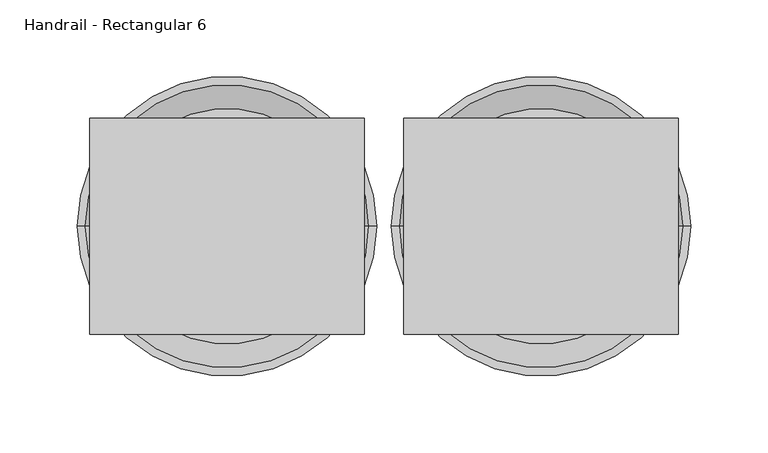
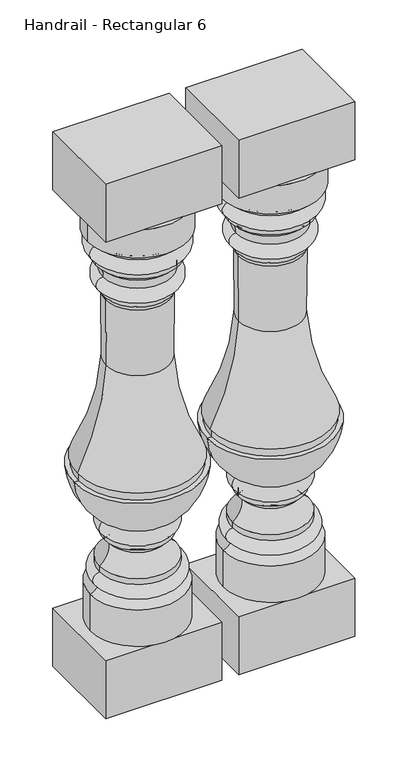
"""IFC4 building model written with IfcOpenShell, lengths in millimetres: railing geometry, Handrail - Rectangular 6."""

from ifc_helpers import new_model, si_unit, point, frame, origin, place, context, project, spatial, polyline, circle_curve, ellipse_curve, trimmed, outline, extrude, source, transform, mapped, element, save
from ifc_brep_helpers import plane_surface, cylinder_surface, revolved_surface, advanced_brep


def handrail_rectangular_6_4b3d45dc(model_context):
    return source(origin(), model_context, "Body", "SolidModel", [
        advanced_brep(
        [(15036.1566037, 2142.9239298, 881.0625), (15188.5566037, 2142.9239298, 881.0625), (15112.3566037, 2142.9239298, 881.0625), (15036.1566037, 2142.9239298, 835.3414358), (15188.5566037, 2142.9239298, 835.3414358), (15048.2856401, 2142.9239298, 824.1251909), (15176.4275673, 2142.9239298, 824.1251909), (15048.5308811, 2142.9239298, 801.0872354), (15176.1823263, 2142.9239298, 801.0872354), (15048.5308811, 2142.9239298, 792.9994382), (15176.1823263, 2142.9239298, 792.9994382), (15057.3594002, 2142.9239298, 784.421477), (15167.3538072, 2142.9239298, 784.421477), (15059.6956778, 2142.9239298, 770.116552), (15165.0175297, 2142.9239298, 770.116552), (15059.6956778, 2142.9239298, 748.0589375), (15165.0175297, 2142.9239298, 748.0589375), (15059.6956778, 2142.9239298, 739.775), (15165.0175297, 2142.9239298, 739.775), (15063.567985, 2142.9239298, 732.0548389), (15161.1452225, 2142.9239298, 732.0548389), (15064.3774609, 2142.9239298, 625.8760562), (15160.3357466, 2142.9239298, 625.8760562), (15020.8181635, 2142.9239298, 465.93125), (15203.895044, 2142.9239298, 465.93125), (15022.920044, 2142.9239298, 465.93125), (15201.7931635, 2142.9239298, 465.93125), (15022.920044, 2142.9239298, 453.23125), (15201.7931635, 2142.9239298, 453.23125), (15015.5191037, 2142.9239298, 453.23125), (15209.1941037, 2142.9239298, 453.23125), (15061.4451606, 2142.9239298, 375.8648455), (15163.2680469, 2142.9239298, 375.8648455), (15061.5865209, 2142.9239298, 352.5012686), (15163.1266866, 2142.9239298, 352.5012686), (15061.5865209, 2142.9239298, 345.021636), (15163.1266866, 2142.9239298, 345.021636), (15069.538561, 2142.9239298, 336.1395712), (15155.1746464, 2142.9239298, 336.1395712), (15054.5700276, 2142.9239298, 304.3511281), (15170.1431798, 2142.9239298, 304.3511281), (15054.5700276, 2142.9239298, 295.0015923), (15170.1431798, 2142.9239298, 295.0015923), (15052.2311821, 2142.9239298, 273.4976463), (15172.4820254, 2142.9239298, 273.4976463), (15040.1463208, 2142.9239298, 263.7041906), (15184.5668867, 2142.9239298, 263.7041906), (15040.1463208, 2142.9239298, 204.7875), (15184.5668867, 2142.9239298, 204.7875), (15112.3566037, 2142.9239298, 204.7875)],
        [
            (0, 1, circle_curve(frame((15112.3566037, 2142.9239298, 881.0625), z_axis=(0.0, 0.0, 1.0), x_axis=(1.0, 0.0, 0.0)), 76.2)),
            (1, 2),
            (2, 0),
            (1, 0, circle_curve(frame((15112.3566037, 2142.9239298, 881.0625), z_axis=(0.0, 0.0, 1.0), x_axis=(1.0, 0.0, 0.0)), 76.2)),
            (3, 4, circle_curve(frame((15112.3566037, 2142.9239298, 835.3414358), z_axis=(0.0, 0.0, 1.0), x_axis=(1.0, 0.0, 0.0)), 76.2)),
            (4, 1),
            (0, 3),
            (4, 3, circle_curve(frame((15112.3566037, 2142.9239298, 835.3414358), z_axis=(0.0, 0.0, 1.0), x_axis=(1.0, 0.0, 0.0)), 76.2)),
            (5, 6, circle_curve(frame((15112.3566037, 2142.9239298, 824.1251909), z_axis=(0.0, 0.0, 1.0), x_axis=(1.0, 0.0, 0.0)), 64.0709636)),
            (6, 4, circle_curve(frame((15188.5701178, 2142.9239298, 823.1606434), z_axis=(0.0, 1.0, 0.0), x_axis=(-1.0, 0.0, 0.0)), 12.1807998)),
            (3, 5, circle_curve(frame((15036.1430896, 2142.9239298, 823.1606434), z_axis=(0.0, 1.0, 0.0), x_axis=(1.0, 0.0, 0.0)), 12.1807998)),
            (6, 5, circle_curve(frame((15112.3566037, 2142.9239298, 824.1251909), z_axis=(0.0, 0.0, 1.0), x_axis=(1.0, 0.0, 0.0)), 64.0709636)),
            (7, 8, circle_curve(frame((15112.3566037, 2142.9239298, 801.0872354), z_axis=(0.0, 0.0, 1.0), x_axis=(1.0, 0.0, 0.0)), 63.8257226)),
            (8, 6, circle_curve(frame((15174.016234, 2142.9239298, 812.6305767), z_axis=(0.0, -1.0, 0.0), x_axis=(-1.0, 0.0, 0.0)), 11.7448152)),
            (5, 7, circle_curve(frame((15050.6969735, 2142.9239298, 812.6305767), z_axis=(0.0, -1.0, 0.0), x_axis=(1.0, 0.0, 0.0)), 11.7448152)),
            (8, 7, circle_curve(frame((15112.3566037, 2142.9239298, 801.0872354), z_axis=(0.0, 0.0, 1.0), x_axis=(1.0, 0.0, 0.0)), 63.8257226)),
            (9, 10, circle_curve(frame((15112.3566037, 2142.9239298, 792.9994382), z_axis=(0.0, 0.0, 1.0), x_axis=(1.0, 0.0, 0.0)), 63.8257226)),
            (10, 8),
            (7, 9),
            (10, 9, circle_curve(frame((15112.3566037, 2142.9239298, 792.9994382), z_axis=(0.0, 0.0, 1.0), x_axis=(1.0, 0.0, 0.0)), 63.8257226)),
            (11, 12, circle_curve(frame((15112.3566037, 2142.9239298, 784.421477), z_axis=(0.0, 0.0, 1.0), x_axis=(1.0, 0.0, 0.0)), 54.9972035)),
            (12, 10, circle_curve(frame((15180.5843357, 2142.9239298, 779.6366699), z_axis=(0.0, 1.0, 0.0), x_axis=(-1.0, 0.0, 0.0)), 14.06916)),
            (9, 11, circle_curve(frame((15044.1288718, 2142.9239298, 779.6366699), z_axis=(0.0, 1.0, 0.0), x_axis=(1.0, 0.0, 0.0)), 14.06916)),
            (12, 11, circle_curve(frame((15112.3566037, 2142.9239298, 784.421477), z_axis=(0.0, 0.0, 1.0), x_axis=(1.0, 0.0, 0.0)), 54.9972035)),
            (13, 14, circle_curve(frame((15112.3566037, 2142.9239298, 770.116552), z_axis=(0.0, 0.0, 1.0), x_axis=(1.0, 0.0, 0.0)), 52.660926)),
            (14, 12, circle_curve(frame((15193.9766622, 2142.9239298, 772.7301948), z_axis=(0.0, 1.0, 0.0), x_axis=(-1.0, 0.0, 0.0)), 29.0768376)),
            (11, 13, circle_curve(frame((15030.7365453, 2142.9239298, 772.7301948), z_axis=(0.0, 1.0, 0.0), x_axis=(1.0, 0.0, 0.0)), 29.0768376)),
            (14, 13, circle_curve(frame((15112.3566037, 2142.9239298, 770.116552), z_axis=(0.0, 0.0, 1.0), x_axis=(1.0, 0.0, 0.0)), 52.660926)),
            (15, 16, circle_curve(frame((15112.3566037, 2142.9239298, 748.0589375), z_axis=(0.0, 0.0, 1.0), x_axis=(1.0, 0.0, 0.0)), 52.660926)),
            (16, 14, circle_curve(frame((15164.5632965, 2142.9239298, 759.0877448), z_axis=(0.0, -1.0, 0.0), x_axis=(-1.0, 0.0, 0.0)), 11.0381573)),
            (13, 15, circle_curve(frame((15060.1499109, 2142.9239298, 759.0877448), z_axis=(0.0, -1.0, 0.0), x_axis=(1.0, 0.0, 0.0)), 11.0381573)),
            (16, 15, circle_curve(frame((15112.3566037, 2142.9239298, 748.0589375), z_axis=(0.0, 0.0, 1.0), x_axis=(1.0, 0.0, 0.0)), 52.660926)),
            (17, 18, circle_curve(frame((15112.3566037, 2142.9239298, 739.775), z_axis=(0.0, 0.0, 1.0), x_axis=(1.0, 0.0, 0.0)), 52.660926)),
            (18, 16),
            (15, 17),
            (18, 17, circle_curve(frame((15112.3566037, 2142.9239298, 739.775), z_axis=(0.0, 0.0, 1.0), x_axis=(1.0, 0.0, 0.0)), 52.660926)),
            (19, 20, circle_curve(frame((15112.3566037, 2142.9239298, 732.0548389), z_axis=(0.0, 0.0, 1.0), x_axis=(1.0, 0.0, 0.0)), 48.7886187)),
            (20, 18, circle_curve(frame((15172.3841732, 2142.9239298, 731.2487877), z_axis=(0.0, 1.0, 0.0), x_axis=(-1.0, 0.0, 0.0)), 11.2678184)),
            (17, 19, circle_curve(frame((15052.3290342, 2142.9239298, 731.2487877), z_axis=(0.0, 1.0, 0.0), x_axis=(1.0, 0.0, 0.0)), 11.2678184)),
            (20, 19, circle_curve(frame((15112.3566037, 2142.9239298, 732.0548389), z_axis=(0.0, 0.0, 1.0), x_axis=(1.0, 0.0, 0.0)), 48.7886187)),
            (21, 22, circle_curve(frame((15112.3566037, 2142.9239298, 625.8760562), z_axis=(0.0, 0.0, 1.0), x_axis=(1.0, 0.0, 0.0)), 47.9791428)),
            (22, 20, circle_curve(frame((15989.4762916, 2142.9239298, 672.6474087), z_axis=(0.0, 1.0, 0.0), x_axis=(-1.0, 0.0, 0.0)), 830.4586702)),
            (19, 21, circle_curve(frame((14235.2369158, 2142.9239298, 672.6474087), z_axis=(0.0, 1.0, 0.0), x_axis=(1.0, 0.0, 0.0)), 830.4586702)),
            (22, 21, circle_curve(frame((15112.3566037, 2142.9239298, 625.8760562), z_axis=(0.0, 0.0, 1.0), x_axis=(1.0, 0.0, 0.0)), 47.9791428)),
            (23, 24, circle_curve(frame((15112.3566037, 2142.9239298, 465.93125), z_axis=(0.0, 0.0, 1.0), x_axis=(1.0, 0.0, 0.0)), 91.5384403)),
            (24, 22, circle_curve(frame((15558.1675269, 2142.9239298, 648.3175235), z_axis=(0.0, 1.0, 0.0), x_axis=(-1.0, 0.0, 0.0)), 398.4642329)),
            (21, 23, circle_curve(frame((14666.5456805, 2142.9239298, 648.3175235), z_axis=(0.0, 1.0, 0.0), x_axis=(1.0, 0.0, 0.0)), 398.4642329)),
            (24, 23, circle_curve(frame((15112.3566037, 2142.9239298, 465.93125), z_axis=(0.0, 0.0, 1.0), x_axis=(1.0, 0.0, 0.0)), 91.5384403)),
            (25, 26, circle_curve(frame((15112.3566037, 2142.9239298, 465.93125), z_axis=(0.0, 0.0, 1.0), x_axis=(1.0, 0.0, 0.0)), 89.4365597)),
            (26, 24),
            (23, 25),
            (26, 25, circle_curve(frame((15112.3566037, 2142.9239298, 465.93125), z_axis=(0.0, 0.0, 1.0), x_axis=(1.0, 0.0, 0.0)), 89.4365597)),
            (27, 28, circle_curve(frame((15112.3566037, 2142.9239298, 453.23125), z_axis=(0.0, 0.0, 1.0), x_axis=(1.0, 0.0, 0.0)), 89.4365597)),
            (28, 26),
            (25, 27),
            (28, 27, circle_curve(frame((15112.3566037, 2142.9239298, 453.23125), z_axis=(0.0, 0.0, 1.0), x_axis=(1.0, 0.0, 0.0)), 89.4365597)),
            (29, 30, circle_curve(frame((15112.3566037, 2142.9239298, 453.23125), z_axis=(0.0, 0.0, 1.0), x_axis=(1.0, 0.0, 0.0)), 96.8375)),
            (30, 28),
            (27, 29),
            (30, 29, circle_curve(frame((15112.3566037, 2142.9239298, 453.23125), z_axis=(0.0, 0.0, 1.0), x_axis=(1.0, 0.0, 0.0)), 96.8375)),
            (31, 32, circle_curve(frame((15112.3566037, 2142.9239298, 375.8648455), z_axis=(0.0, 0.0, 1.0), x_axis=(1.0, 0.0, 0.0)), 50.9114432)),
            (32, 30, circle_curve(frame((15104.7149183, 2142.9239298, 462.9374706), z_axis=(0.0, -1.0, 0.0), x_axis=(-1.0, 0.0, 0.0)), 104.9290756)),
            (29, 31, circle_curve(frame((15119.9982891, 2142.9239298, 462.9374706), z_axis=(0.0, -1.0, 0.0), x_axis=(1.0, 0.0, 0.0)), 104.9290756)),
            (32, 31, circle_curve(frame((15112.3566037, 2142.9239298, 375.8648455), z_axis=(0.0, 0.0, 1.0), x_axis=(1.0, 0.0, 0.0)), 50.9114432)),
            (33, 34, circle_curve(frame((15112.3566037, 2142.9239298, 352.5012686), z_axis=(0.0, 0.0, 1.0), x_axis=(1.0, 0.0, 0.0)), 50.7700828)),
            (34, 32, circle_curve(frame((15157.8946929, 2142.9239298, 364.2151406), z_axis=(0.0, -1.0, 0.0), x_axis=(-1.0, 0.0, 0.0)), 12.8292072)),
            (31, 33, circle_curve(frame((15066.8185146, 2142.9239298, 364.2151406), z_axis=(0.0, -1.0, 0.0), x_axis=(1.0, 0.0, 0.0)), 12.8292072)),
            (34, 33, circle_curve(frame((15112.3566037, 2142.9239298, 352.5012686), z_axis=(0.0, 0.0, 1.0), x_axis=(1.0, 0.0, 0.0)), 50.7700828)),
            (35, 36, circle_curve(frame((15112.3566037, 2142.9239298, 345.021636), z_axis=(0.0, 0.0, 1.0), x_axis=(1.0, 0.0, 0.0)), 50.7700828)),
            (36, 34),
            (33, 35),
            (36, 35, circle_curve(frame((15112.3566037, 2142.9239298, 345.021636), z_axis=(0.0, 0.0, 1.0), x_axis=(1.0, 0.0, 0.0)), 50.7700828)),
            (37, 38, circle_curve(frame((15112.3566037, 2142.9239298, 336.1395712), z_axis=(0.0, 0.0, 1.0), x_axis=(1.0, 0.0, 0.0)), 42.8180427)),
            (38, 36, circle_curve(frame((15165.0720246, 2142.9239298, 335.27926), z_axis=(0.0, 1.0, 0.0), x_axis=(-1.0, 0.0, 0.0)), 9.9346983)),
            (35, 37, circle_curve(frame((15059.6411828, 2142.9239298, 335.27926), z_axis=(0.0, 1.0, 0.0), x_axis=(1.0, 0.0, 0.0)), 9.9346983)),
            (38, 37, circle_curve(frame((15112.3566037, 2142.9239298, 336.1395712), z_axis=(0.0, 0.0, 1.0), x_axis=(1.0, 0.0, 0.0)), 42.8180427)),
            (39, 40, circle_curve(frame((15112.3566037, 2142.9239298, 304.3511281), z_axis=(0.0, 0.0, 1.0), x_axis=(1.0, 0.0, 0.0)), 57.7865761)),
            (40, 38, circle_curve(frame((15189.9869651, 2142.9239298, 333.1135753), z_axis=(0.0, 1.0, 0.0), x_axis=(-1.0, 0.0, 0.0)), 34.9435857)),
            (37, 39, circle_curve(frame((15034.7262423, 2142.9239298, 333.1135753), z_axis=(0.0, 1.0, 0.0), x_axis=(1.0, 0.0, 0.0)), 34.9435857)),
            (40, 39, circle_curve(frame((15112.3566037, 2142.9239298, 304.3511281), z_axis=(0.0, 0.0, 1.0), x_axis=(1.0, 0.0, 0.0)), 57.7865761)),
            (41, 42, circle_curve(frame((15112.3566037, 2142.9239298, 295.0015923), z_axis=(0.0, 0.0, 1.0), x_axis=(1.0, 0.0, 0.0)), 57.7865761)),
            (42, 40),
            (39, 41),
            (42, 41, circle_curve(frame((15112.3566037, 2142.9239298, 295.0015923), z_axis=(0.0, 0.0, 1.0), x_axis=(1.0, 0.0, 0.0)), 57.7865761)),
            (43, 44, circle_curve(frame((15112.3566037, 2142.9239298, 273.4976463), z_axis=(0.0, 0.0, 1.0), x_axis=(1.0, 0.0, 0.0)), 60.1254216)),
            (44, 42, circle_curve(frame((15169.5291969, 2142.9239298, 284.0556497), z_axis=(0.0, -1.0, 0.0), x_axis=(-1.0, 0.0, 0.0)), 10.9631488)),
            (41, 43, circle_curve(frame((15055.1840105, 2142.9239298, 284.0556497), z_axis=(0.0, -1.0, 0.0), x_axis=(1.0, 0.0, 0.0)), 10.9631488)),
            (44, 43, circle_curve(frame((15112.3566037, 2142.9239298, 273.4976463), z_axis=(0.0, 0.0, 1.0), x_axis=(1.0, 0.0, 0.0)), 60.1254216)),
            (45, 46, circle_curve(frame((15112.3566037, 2142.9239298, 263.7041906), z_axis=(0.0, 0.0, 1.0), x_axis=(1.0, 0.0, 0.0)), 72.210283)),
            (46, 44, circle_curve(frame((15190.6977895, 2142.9239298, 283.622485), z_axis=(0.0, 1.0, 0.0), x_axis=(-1.0, 0.0, 0.0)), 20.8404996)),
            (43, 45, circle_curve(frame((15034.0154179, 2142.9239298, 283.622485), z_axis=(0.0, 1.0, 0.0), x_axis=(1.0, 0.0, 0.0)), 20.8404996)),
            (46, 45, circle_curve(frame((15112.3566037, 2142.9239298, 263.7041906), z_axis=(0.0, 0.0, 1.0), x_axis=(1.0, 0.0, 0.0)), 72.210283)),
            (47, 48, circle_curve(frame((15112.3566037, 2142.9239298, 204.7875), z_axis=(0.0, 0.0, 1.0), x_axis=(1.0, 0.0, 0.0)), 72.210283)),
            (48, 46),
            (45, 47),
            (48, 47, circle_curve(frame((15112.3566037, 2142.9239298, 204.7875), z_axis=(0.0, 0.0, 1.0), x_axis=(1.0, 0.0, 0.0)), 72.210283)),
            (49, 48),
            (47, 49),
        ],
        [
            plane_surface(frame((15112.3566037, 2142.9239298, 881.0625), z_axis=(0.0, 0.0, 1.0), x_axis=(1.0, 0.0, 0.0))),
            cylinder_surface(frame((15112.3566037, 2142.9239298, 833.4375), z_axis=(0.0, 0.0, -1.0), x_axis=(1.0, 0.0, 0.0)), 76.2),
            revolved_surface(trimmed(ellipse_curve(frame((15188.5701178, 2142.9239298, 823.1606434), z_axis=(0.0, -1.0, 0.0), x_axis=(-1.0, 0.0, 0.0)), 12.1807998, 12.1807998), [point((15188.5566037, 2142.9239298, 835.3414358))], [point((15176.4275673, 2142.9239298, 824.1251909))], True, "CARTESIAN"), (15112.3566037, 2142.9239298, 833.4375), (0.0, 0.0, -1.0)),
            revolved_surface(trimmed(ellipse_curve(frame((15174.016234, 2142.9239298, 812.6305767), z_axis=(0.0, 1.0, 0.0), x_axis=(-1.0, 0.0, 0.0)), 11.7448152, 11.7448152), [point((15176.4275673, 2142.9239298, 824.1251909))], [point((15176.1823263, 2142.9239298, 801.0872354))], True, "CARTESIAN"), (15112.3566037, 2142.9239298, 833.4375), (0.0, 0.0, -1.0)),
            cylinder_surface(frame((15112.3566037, 2142.9239298, 833.4375), z_axis=(0.0, 0.0, -1.0), x_axis=(1.0, 0.0, 0.0)), 63.8257226),
            revolved_surface(trimmed(ellipse_curve(frame((15180.5843357, 2142.9239298, 779.6366699), z_axis=(0.0, -1.0, 0.0), x_axis=(-1.0, 0.0, 0.0)), 14.06916, 14.06916), [point((15176.1823263, 2142.9239298, 792.9994382))], [point((15167.3538072, 2142.9239298, 784.421477))], True, "CARTESIAN"), (15112.3566037, 2142.9239298, 833.4375), (0.0, 0.0, -1.0)),
            revolved_surface(trimmed(ellipse_curve(frame((15193.9766622, 2142.9239298, 772.7301948), z_axis=(0.0, -1.0, 0.0), x_axis=(-1.0, 0.0, 0.0)), 29.0768376, 29.0768376), [point((15167.3538072, 2142.9239298, 784.421477))], [point((15165.0175297, 2142.9239298, 770.116552))], True, "CARTESIAN"), (15112.3566037, 2142.9239298, 833.4375), (0.0, 0.0, -1.0)),
            revolved_surface(trimmed(ellipse_curve(frame((15164.5632965, 2142.9239298, 759.0877448), z_axis=(0.0, 1.0, 0.0), x_axis=(-1.0, 0.0, 0.0)), 11.0381573, 11.0381573), [point((15165.0175297, 2142.9239298, 770.116552))], [point((15165.0175297, 2142.9239298, 748.0589375))], True, "CARTESIAN"), (15112.3566037, 2142.9239298, 833.4375), (0.0, 0.0, -1.0)),
            cylinder_surface(frame((15112.3566037, 2142.9239298, 833.4375), z_axis=(0.0, 0.0, -1.0), x_axis=(1.0, 0.0, 0.0)), 52.660926),
            revolved_surface(trimmed(ellipse_curve(frame((15172.3841732, 2142.9239298, 731.2487877), z_axis=(0.0, -1.0, 0.0), x_axis=(-1.0, 0.0, 0.0)), 11.2678184, 11.2678184), [point((15165.0175297, 2142.9239298, 739.775))], [point((15161.1452225, 2142.9239298, 732.0548389))], True, "CARTESIAN"), (15112.3566037, 2142.9239298, 833.4375), (0.0, 0.0, -1.0)),
            revolved_surface(trimmed(ellipse_curve(frame((15989.4762916, 2142.9239298, 672.6474087), z_axis=(0.0, -1.0, 0.0), x_axis=(-1.0, 0.0, 0.0)), 830.4586702, 830.4586702), [point((15161.1452225, 2142.9239298, 732.0548389))], [point((15160.3357466, 2142.9239298, 625.8760562))], True, "CARTESIAN"), (15112.3566037, 2142.9239298, 833.4375), (0.0, 0.0, -1.0)),
            revolved_surface(trimmed(ellipse_curve(frame((15558.1675269, 2142.9239298, 648.3175235), z_axis=(0.0, -1.0, 0.0), x_axis=(-1.0, 0.0, 0.0)), 398.4642329, 398.4642329), [point((15160.3357466, 2142.9239298, 625.8760562))], [point((15203.895044, 2142.9239298, 465.93125))], True, "CARTESIAN"), (15112.3566037, 2142.9239298, 833.4375), (0.0, 0.0, -1.0)),
            plane_surface(frame((15112.3566037, 2142.9239298, 465.93125), z_axis=(0.0, 0.0, -1.0), x_axis=(1.0, 0.0, 0.0))),
            cylinder_surface(frame((15112.3566037, 2142.9239298, 833.4375), z_axis=(0.0, 0.0, -1.0), x_axis=(1.0, 0.0, 0.0)), 89.4365597),
            plane_surface(frame((15112.3566037, 2142.9239298, 453.23125), z_axis=(0.0, 0.0, 1.0), x_axis=(1.0, 0.0, 0.0))),
            revolved_surface(trimmed(ellipse_curve(frame((15104.7149183, 2142.9239298, 462.9374706), z_axis=(0.0, 1.0, 0.0), x_axis=(-1.0, 0.0, 0.0)), 104.9290756, 104.9290756), [point((15209.1941037, 2142.9239298, 453.23125))], [point((15163.2680469, 2142.9239298, 375.8648455))], True, "CARTESIAN"), (15112.3566037, 2142.9239298, 833.4375), (0.0, 0.0, -1.0)),
            revolved_surface(trimmed(ellipse_curve(frame((15157.8946929, 2142.9239298, 364.2151406), z_axis=(0.0, 1.0, 0.0), x_axis=(-1.0, 0.0, 0.0)), 12.8292072, 12.8292072), [point((15163.2680469, 2142.9239298, 375.8648455))], [point((15163.1266866, 2142.9239298, 352.5012686))], True, "CARTESIAN"), (15112.3566037, 2142.9239298, 833.4375), (0.0, 0.0, -1.0)),
            cylinder_surface(frame((15112.3566037, 2142.9239298, 833.4375), z_axis=(0.0, 0.0, -1.0), x_axis=(1.0, 0.0, 0.0)), 50.7700828),
            revolved_surface(trimmed(ellipse_curve(frame((15165.0720246, 2142.9239298, 335.27926), z_axis=(0.0, -1.0, 0.0), x_axis=(-1.0, 0.0, 0.0)), 9.9346983, 9.9346983), [point((15163.1266866, 2142.9239298, 345.021636))], [point((15155.1746464, 2142.9239298, 336.1395712))], True, "CARTESIAN"), (15112.3566037, 2142.9239298, 833.4375), (0.0, 0.0, -1.0)),
            revolved_surface(trimmed(ellipse_curve(frame((15189.9869651, 2142.9239298, 333.1135753), z_axis=(0.0, -1.0, 0.0), x_axis=(-1.0, 0.0, 0.0)), 34.9435857, 34.9435857), [point((15155.1746464, 2142.9239298, 336.1395712))], [point((15170.1431798, 2142.9239298, 304.3511281))], True, "CARTESIAN"), (15112.3566037, 2142.9239298, 833.4375), (0.0, 0.0, -1.0)),
            cylinder_surface(frame((15112.3566037, 2142.9239298, 833.4375), z_axis=(0.0, 0.0, -1.0), x_axis=(1.0, 0.0, 0.0)), 57.7865761),
            revolved_surface(trimmed(ellipse_curve(frame((15169.5291969, 2142.9239298, 284.0556497), z_axis=(0.0, 1.0, 0.0), x_axis=(-1.0, 0.0, 0.0)), 10.9631488, 10.9631488), [point((15170.1431798, 2142.9239298, 295.0015923))], [point((15172.4820254, 2142.9239298, 273.4976463))], True, "CARTESIAN"), (15112.3566037, 2142.9239298, 833.4375), (0.0, 0.0, -1.0)),
            revolved_surface(trimmed(ellipse_curve(frame((15190.6977895, 2142.9239298, 283.622485), z_axis=(0.0, -1.0, 0.0), x_axis=(-1.0, 0.0, 0.0)), 20.8404996, 20.8404996), [point((15172.4820254, 2142.9239298, 273.4976463))], [point((15184.5668867, 2142.9239298, 263.7041906))], True, "CARTESIAN"), (15112.3566037, 2142.9239298, 833.4375), (0.0, 0.0, -1.0)),
            cylinder_surface(frame((15112.3566037, 2142.9239298, 833.4375), z_axis=(0.0, 0.0, -1.0), x_axis=(1.0, 0.0, 0.0)), 72.210283),
            plane_surface(frame((15112.3566037, 2142.9239298, 204.7875), z_axis=(0.0, 0.0, -1.0), x_axis=(1.0, 0.0, 0.0))),
        ],
        [
            (0, [[1, 2, 3]]),
            (0, [[4, -3, -2]]),
            (1, [[5, 6, -1, 7]]),
            (1, [[8, -7, -4, -6]]),
            (2, [[9, 10, -5, 11]]),
            (2, [[12, -11, -8, -10]]),
            (3, [[13, 14, -9, 15]]),
            (3, [[16, -15, -12, -14]]),
            (4, [[17, 18, -13, 19]]),
            (4, [[20, -19, -16, -18]]),
            (5, [[21, 22, -17, 23]]),
            (5, [[24, -23, -20, -22]]),
            (6, [[25, 26, -21, 27]]),
            (6, [[28, -27, -24, -26]]),
            (7, [[29, 30, -25, 31]]),
            (7, [[32, -31, -28, -30]]),
            (8, [[33, 34, -29, 35]]),
            (8, [[36, -35, -32, -34]]),
            (9, [[37, 38, -33, 39]]),
            (9, [[40, -39, -36, -38]]),
            (10, [[41, 42, -37, 43]]),
            (10, [[44, -43, -40, -42]]),
            (11, [[45, 46, -41, 47]]),
            (11, [[48, -47, -44, -46]]),
            (12, [[49, 50, -45, 51]]),
            (12, [[52, -51, -48, -50]]),
            (13, [[53, 54, -49, 55]]),
            (13, [[56, -55, -52, -54]]),
            (14, [[57, 58, -53, 59]]),
            (14, [[60, -59, -56, -58]]),
            (15, [[61, 62, -57, 63]]),
            (15, [[64, -63, -60, -62]]),
            (16, [[65, 66, -61, 67]]),
            (16, [[68, -67, -64, -66]]),
            (17, [[69, 70, -65, 71]]),
            (17, [[72, -71, -68, -70]]),
            (18, [[73, 74, -69, 75]]),
            (18, [[76, -75, -72, -74]]),
            (19, [[77, 78, -73, 79]]),
            (19, [[80, -79, -76, -78]]),
            (20, [[81, 82, -77, 83]]),
            (20, [[84, -83, -80, -82]]),
            (21, [[85, 86, -81, 87]]),
            (21, [[88, -87, -84, -86]]),
            (22, [[89, 90, -85, 91]]),
            (22, [[92, -91, -88, -90]]),
            (23, [[93, 94, -89, 95]]),
            (23, [[96, -95, -92, -94]]),
            (24, [[97, -93, 98]]),
            (24, [[-98, -96, -97]]),
        ],
    ),
        extrude(outline(polyline([(15023.4566037, 2073.0739298), (15023.4566037, 2212.7739298), (15201.2566037, 2212.7739298), (15201.2566037, 2073.0739298), (15023.4566037, 2073.0739298)])), frame((0.0, 0.0, 111.125), z_axis=(0.0, 0.0, 1.0), x_axis=(1.0, 0.0, 0.0)), (0.0, 0.0, 1.0), 93.6625),
        extrude(outline(polyline([(15023.4566037, 2212.7739298), (15201.2566037, 2212.7739298), (15201.2566037, 2073.0739298), (15023.4566037, 2073.0739298), (15023.4566037, 2212.7739298)])), frame((0.0, 0.0, 881.0625), z_axis=(0.0, 0.0, 1.0), x_axis=(1.0, 0.0, 0.0)), (0.0, 0.0, 1.0), 93.6625),
        advanced_brep(
        [(14832.9566037, 2142.9239298, 881.0625), (14985.3566037, 2142.9239298, 881.0625), (14909.1566037, 2142.9239298, 881.0625), (14832.9566037, 2142.9239298, 835.3414358), (14985.3566037, 2142.9239298, 835.3414358), (14845.0856401, 2142.9239298, 824.1251909), (14973.2275673, 2142.9239298, 824.1251909), (14845.3308811, 2142.9239298, 801.0872354), (14972.9823263, 2142.9239298, 801.0872354), (14845.3308811, 2142.9239298, 792.9994382), (14972.9823263, 2142.9239298, 792.9994382), (14854.1594002, 2142.9239298, 784.421477), (14964.1538072, 2142.9239298, 784.421477), (14856.4956778, 2142.9239298, 770.116552), (14961.8175297, 2142.9239298, 770.116552), (14856.4956778, 2142.9239298, 748.0589375), (14961.8175297, 2142.9239298, 748.0589375), (14856.4956778, 2142.9239298, 739.775), (14961.8175297, 2142.9239298, 739.775), (14860.367985, 2142.9239298, 732.0548389), (14957.9452225, 2142.9239298, 732.0548389), (14861.1774609, 2142.9239298, 625.8760562), (14957.1357466, 2142.9239298, 625.8760562), (14817.6181635, 2142.9239298, 465.93125), (15000.695044, 2142.9239298, 465.93125), (14819.720044, 2142.9239298, 465.93125), (14998.5931635, 2142.9239298, 465.93125), (14819.720044, 2142.9239298, 453.23125), (14998.5931635, 2142.9239298, 453.23125), (14812.3191037, 2142.9239298, 453.23125), (15005.9941037, 2142.9239298, 453.23125), (14858.2451606, 2142.9239298, 375.8648455), (14960.0680469, 2142.9239298, 375.8648455), (14858.3865209, 2142.9239298, 352.5012686), (14959.9266866, 2142.9239298, 352.5012686), (14858.3865209, 2142.9239298, 345.021636), (14959.9266866, 2142.9239298, 345.021636), (14866.338561, 2142.9239298, 336.1395712), (14951.9746464, 2142.9239298, 336.1395712), (14851.3700276, 2142.9239298, 304.3511281), (14966.9431798, 2142.9239298, 304.3511281), (14851.3700276, 2142.9239298, 295.0015923), (14966.9431798, 2142.9239298, 295.0015923), (14849.0311821, 2142.9239298, 273.4976463), (14969.2820254, 2142.9239298, 273.4976463), (14836.9463208, 2142.9239298, 263.7041906), (14981.3668867, 2142.9239298, 263.7041906), (14836.9463208, 2142.9239298, 204.7875), (14981.3668867, 2142.9239298, 204.7875), (14909.1566037, 2142.9239298, 204.7875)],
        [
            (0, 1, circle_curve(frame((14909.1566037, 2142.9239298, 881.0625), z_axis=(0.0, 0.0, 1.0), x_axis=(1.0, 0.0, 0.0)), 76.2)),
            (1, 2),
            (2, 0),
            (1, 0, circle_curve(frame((14909.1566037, 2142.9239298, 881.0625), z_axis=(0.0, 0.0, 1.0), x_axis=(1.0, 0.0, 0.0)), 76.2)),
            (3, 4, circle_curve(frame((14909.1566037, 2142.9239298, 835.3414358), z_axis=(0.0, 0.0, 1.0), x_axis=(1.0, 0.0, 0.0)), 76.2)),
            (4, 1),
            (0, 3),
            (4, 3, circle_curve(frame((14909.1566037, 2142.9239298, 835.3414358), z_axis=(0.0, 0.0, 1.0), x_axis=(1.0, 0.0, 0.0)), 76.2)),
            (5, 6, circle_curve(frame((14909.1566037, 2142.9239298, 824.1251909), z_axis=(0.0, 0.0, 1.0), x_axis=(1.0, 0.0, 0.0)), 64.0709636)),
            (6, 4, circle_curve(frame((14985.3701178, 2142.9239298, 823.1606434), z_axis=(0.0, 1.0, 0.0), x_axis=(-1.0, 0.0, 0.0)), 12.1807998)),
            (3, 5, circle_curve(frame((14832.9430896, 2142.9239298, 823.1606434), z_axis=(0.0, 1.0, 0.0), x_axis=(1.0, 0.0, 0.0)), 12.1807998)),
            (6, 5, circle_curve(frame((14909.1566037, 2142.9239298, 824.1251909), z_axis=(0.0, 0.0, 1.0), x_axis=(1.0, 0.0, 0.0)), 64.0709636)),
            (7, 8, circle_curve(frame((14909.1566037, 2142.9239298, 801.0872354), z_axis=(0.0, 0.0, 1.0), x_axis=(1.0, 0.0, 0.0)), 63.8257226)),
            (8, 6, circle_curve(frame((14970.816234, 2142.9239298, 812.6305767), z_axis=(0.0, -1.0, 0.0), x_axis=(-1.0, 0.0, 0.0)), 11.7448152)),
            (5, 7, circle_curve(frame((14847.4969735, 2142.9239298, 812.6305767), z_axis=(0.0, -1.0, 0.0), x_axis=(1.0, 0.0, 0.0)), 11.7448152)),
            (8, 7, circle_curve(frame((14909.1566037, 2142.9239298, 801.0872354), z_axis=(0.0, 0.0, 1.0), x_axis=(1.0, 0.0, 0.0)), 63.8257226)),
            (9, 10, circle_curve(frame((14909.1566037, 2142.9239298, 792.9994382), z_axis=(0.0, 0.0, 1.0), x_axis=(1.0, 0.0, 0.0)), 63.8257226)),
            (10, 8),
            (7, 9),
            (10, 9, circle_curve(frame((14909.1566037, 2142.9239298, 792.9994382), z_axis=(0.0, 0.0, 1.0), x_axis=(1.0, 0.0, 0.0)), 63.8257226)),
            (11, 12, circle_curve(frame((14909.1566037, 2142.9239298, 784.421477), z_axis=(0.0, 0.0, 1.0), x_axis=(1.0, 0.0, 0.0)), 54.9972035)),
            (12, 10, circle_curve(frame((14977.3843357, 2142.9239298, 779.6366699), z_axis=(0.0, 1.0, 0.0), x_axis=(-1.0, 0.0, 0.0)), 14.06916)),
            (9, 11, circle_curve(frame((14840.9288718, 2142.9239298, 779.6366699), z_axis=(0.0, 1.0, 0.0), x_axis=(1.0, 0.0, 0.0)), 14.06916)),
            (12, 11, circle_curve(frame((14909.1566037, 2142.9239298, 784.421477), z_axis=(0.0, 0.0, 1.0), x_axis=(1.0, 0.0, 0.0)), 54.9972035)),
            (13, 14, circle_curve(frame((14909.1566037, 2142.9239298, 770.116552), z_axis=(0.0, 0.0, 1.0), x_axis=(1.0, 0.0, 0.0)), 52.660926)),
            (14, 12, circle_curve(frame((14990.7766622, 2142.9239298, 772.7301948), z_axis=(0.0, 1.0, 0.0), x_axis=(-1.0, 0.0, 0.0)), 29.0768376)),
            (11, 13, circle_curve(frame((14827.5365453, 2142.9239298, 772.7301948), z_axis=(0.0, 1.0, 0.0), x_axis=(1.0, 0.0, 0.0)), 29.0768376)),
            (14, 13, circle_curve(frame((14909.1566037, 2142.9239298, 770.116552), z_axis=(0.0, 0.0, 1.0), x_axis=(1.0, 0.0, 0.0)), 52.660926)),
            (15, 16, circle_curve(frame((14909.1566037, 2142.9239298, 748.0589375), z_axis=(0.0, 0.0, 1.0), x_axis=(1.0, 0.0, 0.0)), 52.660926)),
            (16, 14, circle_curve(frame((14961.3632965, 2142.9239298, 759.0877448), z_axis=(0.0, -1.0, 0.0), x_axis=(-1.0, 0.0, 0.0)), 11.0381573)),
            (13, 15, circle_curve(frame((14856.9499109, 2142.9239298, 759.0877448), z_axis=(0.0, -1.0, 0.0), x_axis=(1.0, 0.0, 0.0)), 11.0381573)),
            (16, 15, circle_curve(frame((14909.1566037, 2142.9239298, 748.0589375), z_axis=(0.0, 0.0, 1.0), x_axis=(1.0, 0.0, 0.0)), 52.660926)),
            (17, 18, circle_curve(frame((14909.1566037, 2142.9239298, 739.775), z_axis=(0.0, 0.0, 1.0), x_axis=(1.0, 0.0, 0.0)), 52.660926)),
            (18, 16),
            (15, 17),
            (18, 17, circle_curve(frame((14909.1566037, 2142.9239298, 739.775), z_axis=(0.0, 0.0, 1.0), x_axis=(1.0, 0.0, 0.0)), 52.660926)),
            (19, 20, circle_curve(frame((14909.1566037, 2142.9239298, 732.0548389), z_axis=(0.0, 0.0, 1.0), x_axis=(1.0, 0.0, 0.0)), 48.7886187)),
            (20, 18, circle_curve(frame((14969.1841732, 2142.9239298, 731.2487877), z_axis=(0.0, 1.0, 0.0), x_axis=(-1.0, 0.0, 0.0)), 11.2678184)),
            (17, 19, circle_curve(frame((14849.1290342, 2142.9239298, 731.2487877), z_axis=(0.0, 1.0, 0.0), x_axis=(1.0, 0.0, 0.0)), 11.2678184)),
            (20, 19, circle_curve(frame((14909.1566037, 2142.9239298, 732.0548389), z_axis=(0.0, 0.0, 1.0), x_axis=(1.0, 0.0, 0.0)), 48.7886187)),
            (21, 22, circle_curve(frame((14909.1566037, 2142.9239298, 625.8760562), z_axis=(0.0, 0.0, 1.0), x_axis=(1.0, 0.0, 0.0)), 47.9791428)),
            (22, 20, circle_curve(frame((15786.2762916, 2142.9239298, 672.6474087), z_axis=(0.0, 1.0, 0.0), x_axis=(-1.0, 0.0, 0.0)), 830.4586702)),
            (19, 21, circle_curve(frame((14032.0369158, 2142.9239298, 672.6474087), z_axis=(0.0, 1.0, 0.0), x_axis=(1.0, 0.0, 0.0)), 830.4586702)),
            (22, 21, circle_curve(frame((14909.1566037, 2142.9239298, 625.8760562), z_axis=(0.0, 0.0, 1.0), x_axis=(1.0, 0.0, 0.0)), 47.9791428)),
            (23, 24, circle_curve(frame((14909.1566037, 2142.9239298, 465.93125), z_axis=(0.0, 0.0, 1.0), x_axis=(1.0, 0.0, 0.0)), 91.5384403)),
            (24, 22, circle_curve(frame((15354.9675269, 2142.9239298, 648.3175235), z_axis=(0.0, 1.0, 0.0), x_axis=(-1.0, 0.0, 0.0)), 398.4642329)),
            (21, 23, circle_curve(frame((14463.3456805, 2142.9239298, 648.3175235), z_axis=(0.0, 1.0, 0.0), x_axis=(1.0, 0.0, 0.0)), 398.4642329)),
            (24, 23, circle_curve(frame((14909.1566037, 2142.9239298, 465.93125), z_axis=(0.0, 0.0, 1.0), x_axis=(1.0, 0.0, 0.0)), 91.5384403)),
            (25, 26, circle_curve(frame((14909.1566037, 2142.9239298, 465.93125), z_axis=(0.0, 0.0, 1.0), x_axis=(1.0, 0.0, 0.0)), 89.4365597)),
            (26, 24),
            (23, 25),
            (26, 25, circle_curve(frame((14909.1566037, 2142.9239298, 465.93125), z_axis=(0.0, 0.0, 1.0), x_axis=(1.0, 0.0, 0.0)), 89.4365597)),
            (27, 28, circle_curve(frame((14909.1566037, 2142.9239298, 453.23125), z_axis=(0.0, 0.0, 1.0), x_axis=(1.0, 0.0, 0.0)), 89.4365597)),
            (28, 26),
            (25, 27),
            (28, 27, circle_curve(frame((14909.1566037, 2142.9239298, 453.23125), z_axis=(0.0, 0.0, 1.0), x_axis=(1.0, 0.0, 0.0)), 89.4365597)),
            (29, 30, circle_curve(frame((14909.1566037, 2142.9239298, 453.23125), z_axis=(0.0, 0.0, 1.0), x_axis=(1.0, 0.0, 0.0)), 96.8375)),
            (30, 28),
            (27, 29),
            (30, 29, circle_curve(frame((14909.1566037, 2142.9239298, 453.23125), z_axis=(0.0, 0.0, 1.0), x_axis=(1.0, 0.0, 0.0)), 96.8375)),
            (31, 32, circle_curve(frame((14909.1566037, 2142.9239298, 375.8648455), z_axis=(0.0, 0.0, 1.0), x_axis=(1.0, 0.0, 0.0)), 50.9114432)),
            (32, 30, circle_curve(frame((14901.5149183, 2142.9239298, 462.9374706), z_axis=(0.0, -1.0, 0.0), x_axis=(-1.0, 0.0, 0.0)), 104.9290756)),
            (29, 31, circle_curve(frame((14916.7982891, 2142.9239298, 462.9374706), z_axis=(0.0, -1.0, 0.0), x_axis=(1.0, 0.0, 0.0)), 104.9290756)),
            (32, 31, circle_curve(frame((14909.1566037, 2142.9239298, 375.8648455), z_axis=(0.0, 0.0, 1.0), x_axis=(1.0, 0.0, 0.0)), 50.9114432)),
            (33, 34, circle_curve(frame((14909.1566037, 2142.9239298, 352.5012686), z_axis=(0.0, 0.0, 1.0), x_axis=(1.0, 0.0, 0.0)), 50.7700828)),
            (34, 32, circle_curve(frame((14954.6946929, 2142.9239298, 364.2151406), z_axis=(0.0, -1.0, 0.0), x_axis=(-1.0, 0.0, 0.0)), 12.8292072)),
            (31, 33, circle_curve(frame((14863.6185146, 2142.9239298, 364.2151406), z_axis=(0.0, -1.0, 0.0), x_axis=(1.0, 0.0, 0.0)), 12.8292072)),
            (34, 33, circle_curve(frame((14909.1566037, 2142.9239298, 352.5012686), z_axis=(0.0, 0.0, 1.0), x_axis=(1.0, 0.0, 0.0)), 50.7700828)),
            (35, 36, circle_curve(frame((14909.1566037, 2142.9239298, 345.021636), z_axis=(0.0, 0.0, 1.0), x_axis=(1.0, 0.0, 0.0)), 50.7700828)),
            (36, 34),
            (33, 35),
            (36, 35, circle_curve(frame((14909.1566037, 2142.9239298, 345.021636), z_axis=(0.0, 0.0, 1.0), x_axis=(1.0, 0.0, 0.0)), 50.7700828)),
            (37, 38, circle_curve(frame((14909.1566037, 2142.9239298, 336.1395712), z_axis=(0.0, 0.0, 1.0), x_axis=(1.0, 0.0, 0.0)), 42.8180427)),
            (38, 36, circle_curve(frame((14961.8720246, 2142.9239298, 335.27926), z_axis=(0.0, 1.0, 0.0), x_axis=(-1.0, 0.0, 0.0)), 9.9346983)),
            (35, 37, circle_curve(frame((14856.4411828, 2142.9239298, 335.27926), z_axis=(0.0, 1.0, 0.0), x_axis=(1.0, 0.0, 0.0)), 9.9346983)),
            (38, 37, circle_curve(frame((14909.1566037, 2142.9239298, 336.1395712), z_axis=(0.0, 0.0, 1.0), x_axis=(1.0, 0.0, 0.0)), 42.8180427)),
            (39, 40, circle_curve(frame((14909.1566037, 2142.9239298, 304.3511281), z_axis=(0.0, 0.0, 1.0), x_axis=(1.0, 0.0, 0.0)), 57.7865761)),
            (40, 38, circle_curve(frame((14986.7869651, 2142.9239298, 333.1135753), z_axis=(0.0, 1.0, 0.0), x_axis=(-1.0, 0.0, 0.0)), 34.9435857)),
            (37, 39, circle_curve(frame((14831.5262423, 2142.9239298, 333.1135753), z_axis=(0.0, 1.0, 0.0), x_axis=(1.0, 0.0, 0.0)), 34.9435857)),
            (40, 39, circle_curve(frame((14909.1566037, 2142.9239298, 304.3511281), z_axis=(0.0, 0.0, 1.0), x_axis=(1.0, 0.0, 0.0)), 57.7865761)),
            (41, 42, circle_curve(frame((14909.1566037, 2142.9239298, 295.0015923), z_axis=(0.0, 0.0, 1.0), x_axis=(1.0, 0.0, 0.0)), 57.7865761)),
            (42, 40),
            (39, 41),
            (42, 41, circle_curve(frame((14909.1566037, 2142.9239298, 295.0015923), z_axis=(0.0, 0.0, 1.0), x_axis=(1.0, 0.0, 0.0)), 57.7865761)),
            (43, 44, circle_curve(frame((14909.1566037, 2142.9239298, 273.4976463), z_axis=(0.0, 0.0, 1.0), x_axis=(1.0, 0.0, 0.0)), 60.1254216)),
            (44, 42, circle_curve(frame((14966.3291969, 2142.9239298, 284.0556497), z_axis=(0.0, -1.0, 0.0), x_axis=(-1.0, 0.0, 0.0)), 10.9631488)),
            (41, 43, circle_curve(frame((14851.9840105, 2142.9239298, 284.0556497), z_axis=(0.0, -1.0, 0.0), x_axis=(1.0, 0.0, 0.0)), 10.9631488)),
            (44, 43, circle_curve(frame((14909.1566037, 2142.9239298, 273.4976463), z_axis=(0.0, 0.0, 1.0), x_axis=(1.0, 0.0, 0.0)), 60.1254216)),
            (45, 46, circle_curve(frame((14909.1566037, 2142.9239298, 263.7041906), z_axis=(0.0, 0.0, 1.0), x_axis=(1.0, 0.0, 0.0)), 72.210283)),
            (46, 44, circle_curve(frame((14987.4977895, 2142.9239298, 283.622485), z_axis=(0.0, 1.0, 0.0), x_axis=(-1.0, 0.0, 0.0)), 20.8404996)),
            (43, 45, circle_curve(frame((14830.8154179, 2142.9239298, 283.622485), z_axis=(0.0, 1.0, 0.0), x_axis=(1.0, 0.0, 0.0)), 20.8404996)),
            (46, 45, circle_curve(frame((14909.1566037, 2142.9239298, 263.7041906), z_axis=(0.0, 0.0, 1.0), x_axis=(1.0, 0.0, 0.0)), 72.210283)),
            (47, 48, circle_curve(frame((14909.1566037, 2142.9239298, 204.7875), z_axis=(0.0, 0.0, 1.0), x_axis=(1.0, 0.0, 0.0)), 72.210283)),
            (48, 46),
            (45, 47),
            (48, 47, circle_curve(frame((14909.1566037, 2142.9239298, 204.7875), z_axis=(0.0, 0.0, 1.0), x_axis=(1.0, 0.0, 0.0)), 72.210283)),
            (49, 48),
            (47, 49),
        ],
        [
            plane_surface(frame((14909.1566037, 2142.9239298, 881.0625), z_axis=(0.0, 0.0, 1.0), x_axis=(1.0, 0.0, 0.0))),
            cylinder_surface(frame((14909.1566037, 2142.9239298, 833.4375), z_axis=(0.0, 0.0, -1.0), x_axis=(1.0, 0.0, 0.0)), 76.2),
            revolved_surface(trimmed(ellipse_curve(frame((14985.3701178, 2142.9239298, 823.1606434), z_axis=(0.0, -1.0, 0.0), x_axis=(-1.0, 0.0, 0.0)), 12.1807998, 12.1807998), [point((14985.3566037, 2142.9239298, 835.3414358))], [point((14973.2275673, 2142.9239298, 824.1251909))], True, "CARTESIAN"), (14909.1566037, 2142.9239298, 833.4375), (0.0, 0.0, -1.0)),
            revolved_surface(trimmed(ellipse_curve(frame((14970.816234, 2142.9239298, 812.6305767), z_axis=(0.0, 1.0, 0.0), x_axis=(-1.0, 0.0, 0.0)), 11.7448152, 11.7448152), [point((14973.2275673, 2142.9239298, 824.1251909))], [point((14972.9823263, 2142.9239298, 801.0872354))], True, "CARTESIAN"), (14909.1566037, 2142.9239298, 833.4375), (0.0, 0.0, -1.0)),
            cylinder_surface(frame((14909.1566037, 2142.9239298, 833.4375), z_axis=(0.0, 0.0, -1.0), x_axis=(1.0, 0.0, 0.0)), 63.8257226),
            revolved_surface(trimmed(ellipse_curve(frame((14977.3843357, 2142.9239298, 779.6366699), z_axis=(0.0, -1.0, 0.0), x_axis=(-1.0, 0.0, 0.0)), 14.06916, 14.06916), [point((14972.9823263, 2142.9239298, 792.9994382))], [point((14964.1538072, 2142.9239298, 784.421477))], True, "CARTESIAN"), (14909.1566037, 2142.9239298, 833.4375), (0.0, 0.0, -1.0)),
            revolved_surface(trimmed(ellipse_curve(frame((14990.7766622, 2142.9239298, 772.7301948), z_axis=(0.0, -1.0, 0.0), x_axis=(-1.0, 0.0, 0.0)), 29.0768376, 29.0768376), [point((14964.1538072, 2142.9239298, 784.421477))], [point((14961.8175297, 2142.9239298, 770.116552))], True, "CARTESIAN"), (14909.1566037, 2142.9239298, 833.4375), (0.0, 0.0, -1.0)),
            revolved_surface(trimmed(ellipse_curve(frame((14961.3632965, 2142.9239298, 759.0877448), z_axis=(0.0, 1.0, 0.0), x_axis=(-1.0, 0.0, 0.0)), 11.0381573, 11.0381573), [point((14961.8175297, 2142.9239298, 770.116552))], [point((14961.8175297, 2142.9239298, 748.0589375))], True, "CARTESIAN"), (14909.1566037, 2142.9239298, 833.4375), (0.0, 0.0, -1.0)),
            cylinder_surface(frame((14909.1566037, 2142.9239298, 833.4375), z_axis=(0.0, 0.0, -1.0), x_axis=(1.0, 0.0, 0.0)), 52.660926),
            revolved_surface(trimmed(ellipse_curve(frame((14969.1841732, 2142.9239298, 731.2487877), z_axis=(0.0, -1.0, 0.0), x_axis=(-1.0, 0.0, 0.0)), 11.2678184, 11.2678184), [point((14961.8175297, 2142.9239298, 739.775))], [point((14957.9452225, 2142.9239298, 732.0548389))], True, "CARTESIAN"), (14909.1566037, 2142.9239298, 833.4375), (0.0, 0.0, -1.0)),
            revolved_surface(trimmed(ellipse_curve(frame((15786.2762916, 2142.9239298, 672.6474087), z_axis=(0.0, -1.0, 0.0), x_axis=(-1.0, 0.0, 0.0)), 830.4586702, 830.4586702), [point((14957.9452225, 2142.9239298, 732.0548389))], [point((14957.1357466, 2142.9239298, 625.8760562))], True, "CARTESIAN"), (14909.1566037, 2142.9239298, 833.4375), (0.0, 0.0, -1.0)),
            revolved_surface(trimmed(ellipse_curve(frame((15354.9675269, 2142.9239298, 648.3175235), z_axis=(0.0, -1.0, 0.0), x_axis=(-1.0, 0.0, 0.0)), 398.4642329, 398.4642329), [point((14957.1357466, 2142.9239298, 625.8760562))], [point((15000.695044, 2142.9239298, 465.93125))], True, "CARTESIAN"), (14909.1566037, 2142.9239298, 833.4375), (0.0, 0.0, -1.0)),
            plane_surface(frame((14909.1566037, 2142.9239298, 465.93125), z_axis=(0.0, 0.0, -1.0), x_axis=(1.0, 0.0, 0.0))),
            cylinder_surface(frame((14909.1566037, 2142.9239298, 833.4375), z_axis=(0.0, 0.0, -1.0), x_axis=(1.0, 0.0, 0.0)), 89.4365597),
            plane_surface(frame((14909.1566037, 2142.9239298, 453.23125), z_axis=(0.0, 0.0, 1.0), x_axis=(1.0, 0.0, 0.0))),
            revolved_surface(trimmed(ellipse_curve(frame((14901.5149183, 2142.9239298, 462.9374706), z_axis=(0.0, 1.0, 0.0), x_axis=(-1.0, 0.0, 0.0)), 104.9290756, 104.9290756), [point((15005.9941037, 2142.9239298, 453.23125))], [point((14960.0680469, 2142.9239298, 375.8648455))], True, "CARTESIAN"), (14909.1566037, 2142.9239298, 833.4375), (0.0, 0.0, -1.0)),
            revolved_surface(trimmed(ellipse_curve(frame((14954.6946929, 2142.9239298, 364.2151406), z_axis=(0.0, 1.0, 0.0), x_axis=(-1.0, 0.0, 0.0)), 12.8292072, 12.8292072), [point((14960.0680469, 2142.9239298, 375.8648455))], [point((14959.9266866, 2142.9239298, 352.5012686))], True, "CARTESIAN"), (14909.1566037, 2142.9239298, 833.4375), (0.0, 0.0, -1.0)),
            cylinder_surface(frame((14909.1566037, 2142.9239298, 833.4375), z_axis=(0.0, 0.0, -1.0), x_axis=(1.0, 0.0, 0.0)), 50.7700828),
            revolved_surface(trimmed(ellipse_curve(frame((14961.8720246, 2142.9239298, 335.27926), z_axis=(0.0, -1.0, 0.0), x_axis=(-1.0, 0.0, 0.0)), 9.9346983, 9.9346983), [point((14959.9266866, 2142.9239298, 345.021636))], [point((14951.9746464, 2142.9239298, 336.1395712))], True, "CARTESIAN"), (14909.1566037, 2142.9239298, 833.4375), (0.0, 0.0, -1.0)),
            revolved_surface(trimmed(ellipse_curve(frame((14986.7869651, 2142.9239298, 333.1135753), z_axis=(0.0, -1.0, 0.0), x_axis=(-1.0, 0.0, 0.0)), 34.9435857, 34.9435857), [point((14951.9746464, 2142.9239298, 336.1395712))], [point((14966.9431798, 2142.9239298, 304.3511281))], True, "CARTESIAN"), (14909.1566037, 2142.9239298, 833.4375), (0.0, 0.0, -1.0)),
            cylinder_surface(frame((14909.1566037, 2142.9239298, 833.4375), z_axis=(0.0, 0.0, -1.0), x_axis=(1.0, 0.0, 0.0)), 57.7865761),
            revolved_surface(trimmed(ellipse_curve(frame((14966.3291969, 2142.9239298, 284.0556497), z_axis=(0.0, 1.0, 0.0), x_axis=(-1.0, 0.0, 0.0)), 10.9631488, 10.9631488), [point((14966.9431798, 2142.9239298, 295.0015923))], [point((14969.2820254, 2142.9239298, 273.4976463))], True, "CARTESIAN"), (14909.1566037, 2142.9239298, 833.4375), (0.0, 0.0, -1.0)),
            revolved_surface(trimmed(ellipse_curve(frame((14987.4977895, 2142.9239298, 283.622485), z_axis=(0.0, -1.0, 0.0), x_axis=(-1.0, 0.0, 0.0)), 20.8404996, 20.8404996), [point((14969.2820254, 2142.9239298, 273.4976463))], [point((14981.3668867, 2142.9239298, 263.7041906))], True, "CARTESIAN"), (14909.1566037, 2142.9239298, 833.4375), (0.0, 0.0, -1.0)),
            cylinder_surface(frame((14909.1566037, 2142.9239298, 833.4375), z_axis=(0.0, 0.0, -1.0), x_axis=(1.0, 0.0, 0.0)), 72.210283),
            plane_surface(frame((14909.1566037, 2142.9239298, 204.7875), z_axis=(0.0, 0.0, -1.0), x_axis=(1.0, 0.0, 0.0))),
        ],
        [
            (0, [[1, 2, 3]]),
            (0, [[4, -3, -2]]),
            (1, [[5, 6, -1, 7]]),
            (1, [[8, -7, -4, -6]]),
            (2, [[9, 10, -5, 11]]),
            (2, [[12, -11, -8, -10]]),
            (3, [[13, 14, -9, 15]]),
            (3, [[16, -15, -12, -14]]),
            (4, [[17, 18, -13, 19]]),
            (4, [[20, -19, -16, -18]]),
            (5, [[21, 22, -17, 23]]),
            (5, [[24, -23, -20, -22]]),
            (6, [[25, 26, -21, 27]]),
            (6, [[28, -27, -24, -26]]),
            (7, [[29, 30, -25, 31]]),
            (7, [[32, -31, -28, -30]]),
            (8, [[33, 34, -29, 35]]),
            (8, [[36, -35, -32, -34]]),
            (9, [[37, 38, -33, 39]]),
            (9, [[40, -39, -36, -38]]),
            (10, [[41, 42, -37, 43]]),
            (10, [[44, -43, -40, -42]]),
            (11, [[45, 46, -41, 47]]),
            (11, [[48, -47, -44, -46]]),
            (12, [[49, 50, -45, 51]]),
            (12, [[52, -51, -48, -50]]),
            (13, [[53, 54, -49, 55]]),
            (13, [[56, -55, -52, -54]]),
            (14, [[57, 58, -53, 59]]),
            (14, [[60, -59, -56, -58]]),
            (15, [[61, 62, -57, 63]]),
            (15, [[64, -63, -60, -62]]),
            (16, [[65, 66, -61, 67]]),
            (16, [[68, -67, -64, -66]]),
            (17, [[69, 70, -65, 71]]),
            (17, [[72, -71, -68, -70]]),
            (18, [[73, 74, -69, 75]]),
            (18, [[76, -75, -72, -74]]),
            (19, [[77, 78, -73, 79]]),
            (19, [[80, -79, -76, -78]]),
            (20, [[81, 82, -77, 83]]),
            (20, [[84, -83, -80, -82]]),
            (21, [[85, 86, -81, 87]]),
            (21, [[88, -87, -84, -86]]),
            (22, [[89, 90, -85, 91]]),
            (22, [[92, -91, -88, -90]]),
            (23, [[93, 94, -89, 95]]),
            (23, [[96, -95, -92, -94]]),
            (24, [[97, -93, 98]]),
            (24, [[-98, -96, -97]]),
        ],
    ),
        extrude(outline(polyline([(14820.2566037, 2073.0739298), (14820.2566037, 2212.7739298), (14998.0566037, 2212.7739298), (14998.0566037, 2073.0739298), (14820.2566037, 2073.0739298)])), frame((0.0, 0.0, 111.125), z_axis=(0.0, 0.0, 1.0), x_axis=(1.0, 0.0, 0.0)), (0.0, 0.0, 1.0), 93.6625),
        extrude(outline(polyline([(14820.2566037, 2212.7739298), (14998.0566037, 2212.7739298), (14998.0566037, 2073.0739298), (14820.2566037, 2073.0739298), (14820.2566037, 2212.7739298)])), frame((0.0, 0.0, 881.0625), z_axis=(0.0, 0.0, 1.0), x_axis=(1.0, 0.0, 0.0)), (0.0, 0.0, 1.0), 93.6625),
    ])


if __name__ == "__main__":
    model = new_model("IFC4")
    model_context = context("Model", 3, world=origin())
    ifc_project = project(units=[si_unit("LENGTHUNIT", "METRE", prefix="MILLI")], contexts=[model_context])
    site = spatial("IfcSite", under=ifc_project)
    building = spatial("IfcBuilding", under=site)
    placement = place(None, origin())
    handrail_rectangular_6_shape = handrail_rectangular_6_4b3d45dc(model_context)
    element("IfcRailing", 1, ObjectType="Handrail - Rectangular 6", at=placement, inside=building, context=model_context, shape_type="MappedRepresentation", body=[
        mapped(handrail_rectangular_6_shape, transform((0.0, 0.0, 0.0), x_axis=(1.0, 0.0, 0.0), y_axis=(0.0, 1.0, 0.0), z_axis=(0.0, 0.0, 1.0))),
    ])
    save(model, "model.ifc")
